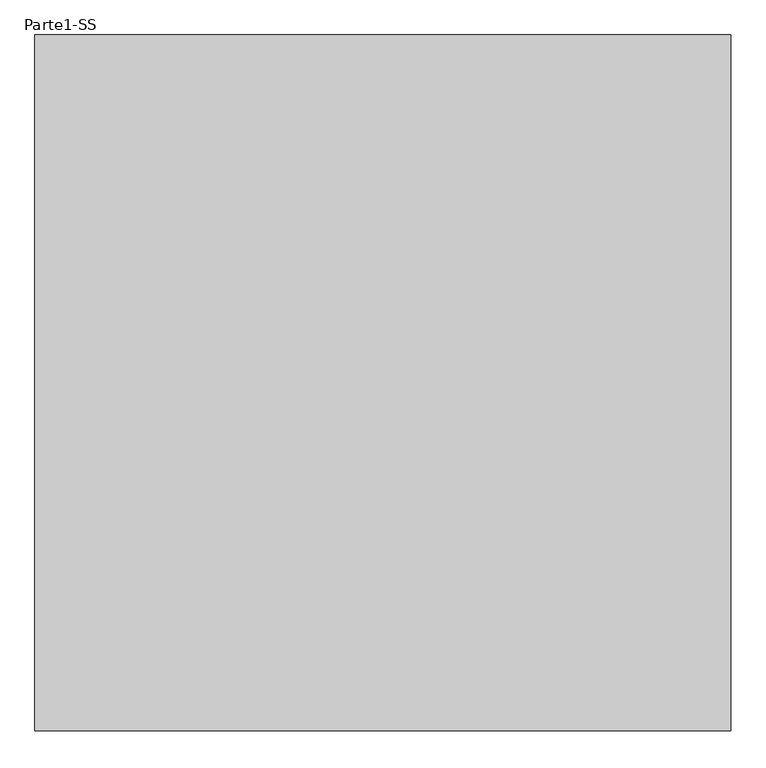
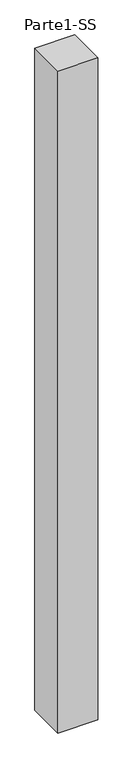
"""IFC4 building model written with IfcOpenShell, lengths in millimetres: proxy geometry, Parte1-SS."""

from ifc_helpers import new_model, si_unit, frame, origin, place, context, project, spatial, polyline, outline, extrude, source, transform, mapped, element, save


def parte1_ss_aaf4e2f4(model_context):
    return source(origin(), model_context, "Body", "SweptSolid", [
        extrude(outline(polyline([(4000.0, 4000.0), (4000.0, 0.0), (0.0, 0.0), (0.0, 4000.0), (4000.0, 4000.0)])), frame((0.0, 0.0, 10000.0), z_axis=(0.0, 0.0, 1.0), x_axis=(1.0, 0.0, 0.0)), (0.0, 0.0, 1.0), 70000.0),
    ])


if __name__ == "__main__":
    model = new_model("IFC4")
    model_context = context("Model", 3, world=origin())
    ifc_project = project(units=[si_unit("LENGTHUNIT", "METRE", prefix="MILLI")], contexts=[model_context])
    site = spatial("IfcSite", under=ifc_project)
    building = spatial("IfcBuilding", under=site)
    placement = place(None, origin())
    parte1_ss_shape = parte1_ss_aaf4e2f4(model_context)
    element("IfcBuildingElementProxy", 1, Name="Parte1-SS", ObjectType="Parte1-SS", at=placement, inside=building, context=model_context, shape_type="MappedRepresentation", body=[
        mapped(parte1_ss_shape, transform((0.0, 0.0, 0.0), x_axis=(1.0, 0.0, 0.0), y_axis=(0.0, 1.0, 0.0), z_axis=(0.0, 0.0, 1.0))),
    ])
    save(model, "model.ifc")
